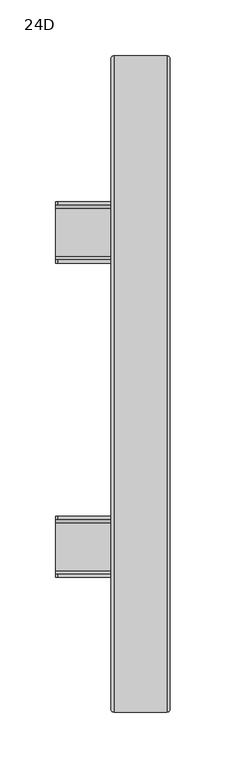
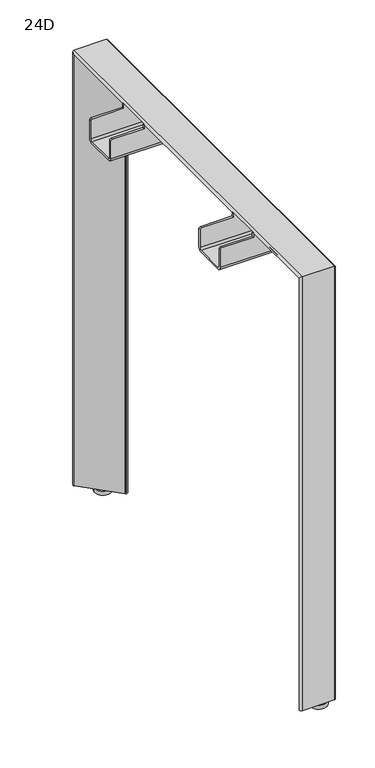
"""IFC4 building model written with IfcOpenShell, lengths in millimetres: furniture geometry, 24D."""

import ifcopenshell
import ifcopenshell.guid

model = None  # the IFC model being written
_history = None  # IfcOwnerHistory: only IFC2X3 demands one
_inside = {}  # id of a spatial element -> (the spatial element, [elements in it])
_under = {}  # id of a project, library or spatial element -> (it, [spatial elements below it])
_declared = {}  # id of a project -> (the project, [libraries it declares])
_typed = {}  # id of a type object -> (the type object, [elements of that type])
_made_of = {}  # id of a material, layer set ... -> (it, [elements and type objects made of it])


def new_model(schema):
    """Start an empty IFC model of exactly this schema.

    Asked for "IFC4X3", IfcOpenShell would pick the latest addendum, in which some entities
    have other attributes; the version numbers below select the first issue.
    IFC2X3 requires an IfcOwnerHistory on every rooted entity: one is made here for all.
    """
    global model, _history
    if schema == "IFC4X3":
        model = ifcopenshell.file(schema_version=(4, 3, 0, 0))
    else:
        model = ifcopenshell.file(schema=schema)
    _inside.clear()
    _under.clear()
    _declared.clear()
    _typed.clear()
    _made_of.clear()
    _history = None
    if model.schema == "IFC2X3":
        org = make("IfcOrganization", Name="unknown")
        user = make(
            "IfcPersonAndOrganization",
            ThePerson=make("IfcPerson", FamilyName="unknown"),
            TheOrganization=org,
        )
        app = make(
            "IfcApplication",
            ApplicationDeveloper=org,
            Version="unknown",
            ApplicationFullName="unknown",
            ApplicationIdentifier="unknown",
        )
        _history = make(
            "IfcOwnerHistory",
            OwningUser=user,
            OwningApplication=app,
            ChangeAction="ADDED",
            CreationDate=0,
        )
    return model


def make(cls, **values):
    """One entity of the class cls with the attributes given. An attribute that is None is left unset."""
    return model.create_entity(
        cls, **{name: value for name, value in values.items() if value is not None}
    )


def rooted(cls, **values):
    """An entity with a GlobalId (a new one), such as an element, a storey or a relation."""
    return make(cls, GlobalId=ifcopenshell.guid.new(), OwnerHistory=_history, **values)


def si_unit(unit_type, name, prefix=None):
    """IfcSIUnit, for example si_unit("LENGTHUNIT", "METRE", prefix="MILLI")."""
    return make("IfcSIUnit", UnitType=unit_type, Prefix=prefix, Name=name)


def assignment(units):
    """IfcUnitAssignment: the units of a project."""
    return None if units is None else make("IfcUnitAssignment", Units=units)


def point(xyz):
    """IfcCartesianPoint."""
    return None if xyz is None else make("IfcCartesianPoint", Coordinates=xyz)


def direction(xyz):
    """IfcDirection."""
    return None if xyz is None else make("IfcDirection", DirectionRatios=xyz)


def frame(location, z_axis=None, x_axis=None):
    """IfcAxis2Placement3D, a coordinate frame: its origin and axes. An axis left out is left unset."""
    return make(
        "IfcAxis2Placement3D",
        Location=point(location),
        Axis=direction(z_axis),
        RefDirection=direction(x_axis),
    )


def frame_2d(location, x_axis=None):
    """IfcAxis2Placement2D, a coordinate frame in the plane: its origin and x axis."""
    return make(
        "IfcAxis2Placement2D", Location=point(location), RefDirection=direction(x_axis)
    )


def origin():
    """The frame at (0, 0, 0) with its axes left unset."""
    return frame((0.0, 0.0, 0.0))


def origin_with_axes():
    """The frame at (0, 0, 0) with the z axis (0, 0, 1) and the x axis (1, 0, 0) written out."""
    return frame((0.0, 0.0, 0.0), z_axis=(0.0, 0.0, 1.0), x_axis=(1.0, 0.0, 0.0))


def place(relative_to, where):
    """IfcLocalPlacement: puts the frame where relative to a parent placement (None: the world)."""
    return make(
        "IfcLocalPlacement", PlacementRelTo=relative_to, RelativePlacement=where
    )


def context(
    kind, dimensions, precision=None, world=None, true_north=None, identifier=None
):
    """IfcGeometricRepresentationContext, for example the 3D "Model" context."""
    return make(
        "IfcGeometricRepresentationContext",
        ContextIdentifier=identifier,
        ContextType=kind,
        CoordinateSpaceDimension=dimensions,
        Precision=precision,
        WorldCoordinateSystem=world,
        TrueNorth=true_north,
    )


def project(units=None, contexts=None):
    """IfcProject with its units and contexts."""
    return rooted(
        "IfcProject",
        Name="project",
        RepresentationContexts=contexts,
        UnitsInContext=assignment(units),
    )


def spatial(cls, under=None, at=None, **own):
    """A site, building, storey or space (cls), placed at a placement, below another one or the project."""
    s = rooted(cls, ObjectPlacement=at, **own)
    if under is not None:
        _under.setdefault(under.id(), (under, []))[1].append(s)
    return s


def polyline(points):
    """IfcPolyline through the points."""
    return make("IfcPolyline", Points=[point(p) for p in points])


def circle_curve(where, radius):
    """IfcCircle in the frame where."""
    return make("IfcCircle", Position=where, Radius=radius)


def ellipse_curve(where, semi_axis1, semi_axis2):
    """IfcEllipse in the frame where."""
    return make(
        "IfcEllipse", Position=where, SemiAxis1=semi_axis1, SemiAxis2=semi_axis2
    )


def trimmed(basis, trim1, trim2, sense, master):
    """IfcTrimmedCurve: the piece of a basis curve between two trims."""
    return make(
        "IfcTrimmedCurve",
        BasisCurve=basis,
        Trim1=trim1,
        Trim2=trim2,
        SenseAgreement=sense,
        MasterRepresentation=master,
    )


def segment(curve, same_sense, transition):
    """IfcCompositeCurveSegment."""
    return make(
        "IfcCompositeCurveSegment",
        Transition=transition,
        SameSense=same_sense,
        ParentCurve=curve,
    )


def composite_curve(segments, self_intersect=None):
    """IfcCompositeCurve: segments joined end to end."""
    return make("IfcCompositeCurve", Segments=segments, SelfIntersect=self_intersect)


def outline(outer, holes=None, kind="AREA"):
    """IfcArbitraryClosedProfileDef: a profile drawn as a closed curve; with holes, ...WithVoids."""
    if holes is None:
        return make("IfcArbitraryClosedProfileDef", ProfileType=kind, OuterCurve=outer)
    return make(
        "IfcArbitraryProfileDefWithVoids",
        ProfileType=kind,
        OuterCurve=outer,
        InnerCurves=holes,
    )


def extrude(swept, where, along, depth):
    """IfcExtrudedAreaSolid: the profile swept, set in the frame where, extruded along a direction by depth."""
    return make(
        "IfcExtrudedAreaSolid",
        SweptArea=swept,
        Position=where,
        ExtrudedDirection=direction(along),
        Depth=depth,
    )


def shape(context_of_items, identifier, shape_type, items):
    """IfcShapeRepresentation: the items that make up one representation, for example the "Body"."""
    return make(
        "IfcShapeRepresentation",
        ContextOfItems=context_of_items,
        RepresentationIdentifier=identifier,
        RepresentationType=shape_type,
        Items=items,
    )


def source(mapping_origin, context_of_items, identifier, shape_type, items):
    """IfcRepresentationMap: a shape defined once, which mapped items show again and again."""
    return make(
        "IfcRepresentationMap",
        MappingOrigin=mapping_origin,
        MappedRepresentation=shape(context_of_items, identifier, shape_type, items),
    )


def transform(
    local_origin,
    x_axis=None,
    y_axis=None,
    z_axis=None,
    scale=None,
    scale2=None,
    scale3=None,
    uniform=True,
):
    """IfcCartesianTransformationOperator3D, or its non-uniform kind. x_axis, y_axis, z_axis: its Axis1, 2, 3."""
    if uniform:
        return make(
            "IfcCartesianTransformationOperator3D",
            Axis1=direction(x_axis),
            Axis2=direction(y_axis),
            LocalOrigin=point(local_origin),
            Scale=scale,
            Axis3=direction(z_axis),
        )
    return make(
        "IfcCartesianTransformationOperator3DnonUniform",
        Axis1=direction(x_axis),
        Axis2=direction(y_axis),
        LocalOrigin=point(local_origin),
        Scale=scale,
        Axis3=direction(z_axis),
        Scale2=scale2,
        Scale3=scale3,
    )


def mapped(mapping_source, mapping_target):
    """IfcMappedItem: shows the shape of a source again, moved by a transform."""
    return make(
        "IfcMappedItem", MappingSource=mapping_source, MappingTarget=mapping_target
    )


def made_of(thing, what):
    """Note that an element or type object is made of a material, layer set ...; save() writes the relation."""
    if what is not None:
        _made_of.setdefault(what.id(), (what, []))[1].append(thing)
    return thing


def element(
    cls,
    number,
    at=None,
    inside=None,
    cuts=None,
    type_object=None,
    material=None,
    context=None,
    identifier="Body",
    shape_type=None,
    held_by="IfcProductDefinitionShape",
    body=None,
    shapes=None,
    **own,
):
    """One element of the class cls, such as IfcWall. Its Tag is "e" and its number.

    at: its placement. inside: the storey or other place that contains it. cuts: it is an
    opening in that element (IfcRelVoidsElement). A single representation is given by context,
    identifier, shape_type and body (its items); several are given by shapes. held_by: the class
    of the entity that holds the representations. save() writes the other relations.
    """
    e = rooted(cls, Tag="e%d" % number, ObjectPlacement=at, **own)
    if body is not None:
        shapes = [shape(context, identifier, shape_type, body)]
    if shapes is not None:
        e.Representation = make(held_by, Representations=shapes)
    if inside is not None:
        _inside.setdefault(inside.id(), (inside, []))[1].append(e)
    if cuts is not None:
        rooted(
            "IfcRelVoidsElement", RelatingBuildingElement=cuts, RelatedOpeningElement=e
        )
    if type_object is not None:
        _typed.setdefault(type_object.id(), (type_object, []))[1].append(e)
    return made_of(e, material)


def aggregate(whole, parts):
    """IfcRelAggregates: a whole, such as a stair, and the parts it consists of."""
    return rooted("IfcRelAggregates", RelatingObject=whole, RelatedObjects=parts)


def save(model, path):
    """Write the relations noted so far, then the file.

    IfcRelAggregates (storeys below a building ...), IfcRelContainedInSpatialStructure (elements
    in a storey), IfcRelDefinesByType, IfcRelAssociatesMaterial and IfcRelDeclares: one each for
    every whole, place, type object, material and project.
    """
    for whole, parts in _under.values():
        aggregate(whole, parts)
    for where, things in _inside.values():
        rooted(
            "IfcRelContainedInSpatialStructure",
            RelatedElements=things,
            RelatingStructure=where,
        )
    for kind, things in _typed.values():
        rooted("IfcRelDefinesByType", RelatedObjects=things, RelatingType=kind)
    for what, things in _made_of.values():
        rooted("IfcRelAssociatesMaterial", RelatedObjects=things, RelatingMaterial=what)
    for by, libraries in _declared.values():
        rooted("IfcRelDeclares", RelatingContext=by, RelatedDefinitions=libraries)
    model.write(path)


def plane_surface(at):
    """IfcPlane: the flat surface through the origin of the frame at, square to its z axis."""
    return make("IfcPlane", Position=at)


def cylinder_surface(at, radius):
    """IfcCylindricalSurface: all points at the distance radius from the z axis of the frame at."""
    return make("IfcCylindricalSurface", Position=at, Radius=radius)


def revolved_surface(curve, axis_point, axis_direction):
    """IfcSurfaceOfRevolution: the curve turned about the line through axis_point along axis_direction."""
    return make(
        "IfcSurfaceOfRevolution",
        SweptCurve=make("IfcArbitraryOpenProfileDef", ProfileType="CURVE", Curve=curve),
        AxisPosition=make("IfcAxis1Placement", Location=point(axis_point), Axis=direction(axis_direction)),
    )


def advanced_brep(points, edges, surfaces, faces):
    """IfcAdvancedBrep: a solid bounded by faces that lie on surfaces and meet in shared edges.

    An edge is (start, end): straight between two places in points (the first is 0);
    or (start, end, curve); or (start, end, curve, False) where it runs against its curve.
    A face is (place in surfaces, loops), or (place, loops, False) where it looks against
    its surface's normal. A loop lists edges by number (the first is 1), with a minus sign
    where the edge is run from its end to its start. The first loop is the outer one.
    """
    corners = [point(p) for p in points]
    vertices = [make("IfcVertexPoint", VertexGeometry=c) for c in corners]
    made = []
    for start, end, *more in edges:
        made.append(
            make(
                "IfcEdgeCurve",
                EdgeStart=vertices[start],
                EdgeEnd=vertices[end],
                EdgeGeometry=more[0] if more else make("IfcPolyline", Points=[corners[start], corners[end]]),
                SameSense=more[1] if len(more) > 1 else True,
            )
        )
    hull = []
    for where, loops, *sense in faces:
        bounds = []
        for j, loop in enumerate(loops):
            ring = [make("IfcOrientedEdge", EdgeElement=made[abs(k) - 1], Orientation=k > 0) for k in loop]
            bounds.append(
                make(
                    "IfcFaceOuterBound" if j == 0 else "IfcFaceBound",
                    Bound=make("IfcEdgeLoop", EdgeList=ring),
                    Orientation=True,
                )
            )
        hull.append(make("IfcAdvancedFace", Bounds=bounds, FaceSurface=surfaces[where], SameSense=sense[0] if sense else True))
    return make("IfcAdvancedBrep", Outer=make("IfcClosedShell", CfsFaces=hull))


def furniture_24d_54f74e9e(model_context):
    return source(origin(), model_context, "Body", "SolidModel", [
        advanced_brep(
        [(26.5, -227.4166148, 11.0), (26.5, -275.0646568, 11.0), (23.8210938, -277.743563, 11.0), (-23.8269482, -277.743563, 11.0), (-25.721221, -273.170384, 11.0), (21.926821, -225.522342, 11.0), (24.515625, -227.4166148, 11.0), (23.329986, -226.9255071, 11.0), (-24.318056, -274.573549, 11.0), (-23.8269482, -275.759188, 11.0), (23.8210938, -275.759188, 11.0), (24.515625, -275.0646568, 11.0), (21.926821, -225.522342, 639.928779), (26.5, -227.4166148, 641.8230518), (-25.721221, -273.170384, 687.576821), (-23.8269482, -277.743563, 692.15), (23.8210937, -277.743563, 692.15), (26.5, -275.0646568, 689.4710937), (26.5, 259.3298888, 641.8230518), (26.5, 259.3298888, 11.0), (26.5, 306.9779307, 11.0), (26.5, 306.9779307, 689.4710937), (24.515625, -275.0646568, 689.4710937), (24.515625, 306.9779307, 689.4710937), (24.515625, 306.9779307, 11.0), (24.515625, 259.3298888, 11.0), (24.515625, 259.3298888, 641.8230518), (24.515625, -227.4166148, 641.8230518), (23.8210937, -275.759188, 690.165625), (-23.8269482, -275.759188, 690.165625), (-24.318056, -274.573549, 688.979986), (23.329986, -226.9255071, 641.331944), (21.926821, 257.435616, 639.928779), (-25.721221, -157.564763, 687.576821), (14.8566, -157.564763, 646.999), (17.8566, -154.564763, 643.999), (17.8566, -105.064763, 643.999), (14.8566, -102.064763, 646.999), (-25.721221, -102.064763, 687.576821), (-25.721221, 123.927037, 687.576821), (14.8566, 123.927037, 646.999), (17.8566, 126.927037, 643.999), (17.8566, 176.427037, 643.999), (14.8566, 179.427037, 646.999), (-25.721221, 179.427037, 687.576821), (-25.721221, 305.083658, 687.576821), (-23.8269482, 309.656837, 692.15), (-26.4616028, 179.427037, 689.956), (-26.4616028, 123.927037, 689.956), (-26.4616028, -102.064763, 689.956), (-26.4616028, -157.564763, 689.956), (23.8210937, 309.656837, 692.15), (23.8210937, 307.672462, 690.165625), (-23.8269482, 307.672462, 690.165625), (-24.318056, -157.564763, 688.979986), (-24.3241801, -157.564763, 689.956), (-24.3241801, -102.064763, 689.956), (-24.318056, -102.064763, 688.979986), (-24.318056, 123.927037, 688.979986), (-24.3241801, 123.927037, 689.956), (-24.3241801, 179.427037, 689.956), (-24.318056, 179.427037, 688.979986), (-24.318056, 306.486823, 688.979986), (23.329986, 258.838781, 641.331944), (17.66293, 179.427037, 646.999), (20.66293, 176.427037, 643.999), (20.66293, 126.927037, 643.999), (17.66293, 123.927037, 646.999), (17.66293, -102.064763, 646.999), (20.0, -103.1837782, 644.66193), (20.0, -156.4457479, 644.66193), (17.66293, -157.564763, 646.999), (21.926821, 257.435616, 11.0), (-25.721221, 305.083658, 11.0), (-23.8269482, 309.656837, 11.0), (23.8210938, 309.656837, 11.0), (23.8210938, 307.672462, 11.0), (-23.8269482, 307.672462, 11.0), (-24.318056, 306.486823, 11.0), (23.329986, 258.838781, 11.0), (20.0, -105.064763, 643.999), (20.0, -154.564763, 643.999)],
        [
            (0, 1),
            (1, 2, circle_curve(frame((23.8210938, -275.0646568, 11.0), z_axis=(0.0, 0.0, -1.0), x_axis=(0.0, 1.0, 0.0)), 2.6789063)),
            (2, 3),
            (3, 4, circle_curve(frame((-23.8269482, -275.0646568, 11.0), z_axis=(0.0, 0.0, -1.0), x_axis=(0.0, 1.0, 0.0)), 2.6789063)),
            (4, 5),
            (5, 0, circle_curve(frame((23.8210938, -227.4166148, 11.0), z_axis=(0.0, 0.0, -1.0), x_axis=(0.0, 1.0, 0.0)), 2.6789063)),
            (6, 7, circle_curve(frame((23.8210938, -227.4166148, 11.0), z_axis=(0.0, 0.0, 1.0), x_axis=(0.0, 1.0, 0.0)), 0.6945312)),
            (7, 8),
            (8, 9, circle_curve(frame((-23.8269482, -275.0646568, 11.0), z_axis=(0.0, 0.0, 1.0), x_axis=(0.0, 1.0, 0.0)), 0.6945312)),
            (9, 10),
            (10, 11, circle_curve(frame((23.8210938, -275.0646568, 11.0), z_axis=(0.0, 0.0, 1.0), x_axis=(0.0, 1.0, 0.0)), 0.6945313)),
            (11, 6),
            (5, 12),
            (12, 13, ellipse_curve(frame((23.8210937, -227.4166148, 641.8230518), z_axis=(0.0, -0.7071067811865475, -0.7071067811865475), x_axis=(0.0, 0.7071067811865474, -0.7071067811865476)), 3.7885456, 2.6789063)),
            (13, 0),
            (4, 14),
            (14, 12),
            (3, 15),
            (15, 14, ellipse_curve(frame((-23.8269482, -275.0646568, 689.4710937), z_axis=(0.0, -0.7071067811865475, -0.7071067811865475), x_axis=(0.0, 0.7071067811865474, -0.7071067811865476)), 3.7885456, 2.6789063)),
            (2, 16),
            (16, 15),
            (1, 17),
            (17, 16, ellipse_curve(frame((23.8210937, -275.0646568, 689.4710937), z_axis=(0.0, -0.7071067811865475, -0.7071067811865475), x_axis=(0.0, 0.7071067811865474, -0.7071067811865476)), 3.7885456, 2.6789063)),
            (13, 18),
            (18, 19),
            (19, 20),
            (20, 21),
            (21, 17),
            (11, 22),
            (22, 23),
            (23, 24),
            (24, 25),
            (25, 26),
            (26, 27),
            (27, 6),
            (10, 28),
            (28, 22, ellipse_curve(frame((23.8210937, -275.0646568, 689.4710937), z_axis=(0.0, 0.7071067811865475, 0.7071067811865475), x_axis=(0.0, -0.7071067811865474, 0.7071067811865476)), 0.9822155, 0.6945312)),
            (9, 29),
            (29, 28),
            (8, 30),
            (30, 29, ellipse_curve(frame((-23.8269482, -275.0646568, 689.4710937), z_axis=(0.0, 0.7071067811865475, 0.7071067811865475), x_axis=(0.0, -0.7071067811865474, 0.7071067811865476)), 0.9822155, 0.6945312)),
            (7, 31),
            (31, 30),
            (27, 31, ellipse_curve(frame((23.8210937, -227.4166148, 641.8230518), z_axis=(0.0, 0.7071067811865475, 0.7071067811865475), x_axis=(0.0, -0.7071067811865474, 0.7071067811865476)), 0.9822155, 0.6945312)),
            (12, 32),
            (32, 18, ellipse_curve(frame((23.8210937, 259.3298888, 641.8230518), z_axis=(0.0, -0.7071067811865475, 0.7071067811865475), x_axis=(0.0, -0.7071067811865476, -0.7071067811865474)), 3.7885456, 2.6789063)),
            (14, 33),
            (33, 34),
            (34, 35, ellipse_curve(frame((14.8566, -154.564763, 646.999), z_axis=(0.7071067811865408, 0.0, 0.7071067811865543), x_axis=(0.7071067811865542, 0.0, -0.7071067811865408)), 4.2426407, 3.0)),
            (35, 36),
            (36, 37, ellipse_curve(frame((14.8566, -105.064763, 646.999), z_axis=(0.7071067811865408, 0.0, 0.7071067811865543), x_axis=(0.7071067811865542, 0.0, -0.7071067811865408)), 4.2426407, 3.0)),
            (37, 38),
            (38, 39),
            (39, 40),
            (40, 41, ellipse_curve(frame((14.8566, 126.927037, 646.999), z_axis=(0.7071067811865408, 0.0, 0.7071067811865543), x_axis=(0.7071067811865542, 0.0, -0.7071067811865408)), 4.2426407, 3.0)),
            (41, 42),
            (42, 43, ellipse_curve(frame((14.8566, 176.427037, 646.999), z_axis=(0.7071067811865408, 0.0, 0.7071067811865543), x_axis=(0.7071067811865542, 0.0, -0.7071067811865408)), 4.2426407, 3.0)),
            (43, 44),
            (44, 45),
            (45, 32),
            (15, 46),
            (46, 45, ellipse_curve(frame((-23.8269482, 306.9779307, 689.4710937), z_axis=(0.0, -0.7071067811865475, 0.7071067811865475), x_axis=(0.0, -0.7071067811865476, -0.7071067811865474)), 3.7885456, 2.6789063)),
            (44, 47, circle_curve(frame((-23.8269482, 179.427037, 689.4710937), z_axis=(0.0, 1.0, 0.0), x_axis=(0.0, 0.0, -1.0)), 2.6789063)),
            (47, 48),
            (48, 39, circle_curve(frame((-23.8269482, 123.927037, 689.4710937), z_axis=(0.0, -1.0, 0.0), x_axis=(0.0, 0.0, -1.0)), 2.6789063)),
            (38, 49, circle_curve(frame((-23.8269482, -102.064763, 689.4710937), z_axis=(0.0, 1.0, 0.0), x_axis=(0.0, 0.0, -1.0)), 2.6789063)),
            (49, 50),
            (50, 33, circle_curve(frame((-23.8269482, -157.564763, 689.4710937), z_axis=(0.0, -1.0, 0.0), x_axis=(0.0, 0.0, -1.0)), 2.6789063)),
            (16, 51),
            (51, 46),
            (21, 51, ellipse_curve(frame((23.8210937, 306.9779307, 689.4710937), z_axis=(0.0, -0.7071067811865475, 0.7071067811865475), x_axis=(0.0, -0.7071067811865476, -0.7071067811865474)), 3.7885456, 2.6789063)),
            (28, 52),
            (52, 23, ellipse_curve(frame((23.8210937, 306.9779307, 689.4710937), z_axis=(0.0, 0.7071067811865475, -0.7071067811865475), x_axis=(0.0, 0.7071067811865476, 0.7071067811865474)), 0.9822155, 0.6945312)),
            (29, 53),
            (53, 52),
            (30, 54),
            (54, 55, circle_curve(frame((-23.8269482, -157.564763, 689.4710937), z_axis=(0.0, 1.0, 0.0), x_axis=(0.0, 0.0, -1.0)), 0.6945312)),
            (55, 56),
            (56, 57, circle_curve(frame((-23.8269482, -102.064763, 689.4710937), z_axis=(0.0, -1.0, 0.0), x_axis=(0.0, 0.0, -1.0)), 0.6945312)),
            (57, 58),
            (58, 59, circle_curve(frame((-23.8269482, 123.927037, 689.4710937), z_axis=(0.0, 1.0, 0.0), x_axis=(0.0, 0.0, -1.0)), 0.6945312)),
            (59, 60),
            (60, 61, circle_curve(frame((-23.8269482, 179.427037, 689.4710937), z_axis=(0.0, -1.0, 0.0), x_axis=(0.0, 0.0, -1.0)), 0.6945313)),
            (61, 62),
            (62, 53, ellipse_curve(frame((-23.8269482, 306.9779307, 689.4710937), z_axis=(0.0, 0.7071067811865475, -0.7071067811865475), x_axis=(0.0, 0.7071067811865476, 0.7071067811865474)), 0.9822155, 0.6945312)),
            (31, 63),
            (63, 62),
            (61, 64),
            (64, 65, ellipse_curve(frame((17.66293, 176.427037, 646.999), z_axis=(-0.7071067811865407, 0.0, -0.7071067811865543), x_axis=(0.7071067811865542, 0.0, -0.7071067811865407)), 4.2426407, 3.0)),
            (65, 66),
            (66, 67, ellipse_curve(frame((17.66293, 126.927037, 646.999), z_axis=(-0.7071067811865407, 0.0, -0.7071067811865543), x_axis=(0.7071067811865542, 0.0, -0.7071067811865407)), 4.2426407, 3.0)),
            (67, 58),
            (57, 68),
            (68, 69, ellipse_curve(frame((17.66293, -105.064763, 646.999), z_axis=(-0.7071067811865407, 0.0, -0.7071067811865543), x_axis=(0.7071067811865542, 0.0, -0.7071067811865407)), 4.2426407, 3.0)),
            (69, 70),
            (70, 71, ellipse_curve(frame((17.66293, -154.564763, 646.999), z_axis=(-0.7071067811865407, 0.0, -0.7071067811865543), x_axis=(0.7071067811865542, 0.0, -0.7071067811865407)), 4.2426407, 3.0)),
            (71, 54),
            (26, 63, ellipse_curve(frame((23.8210937, 259.3298888, 641.8230518), z_axis=(0.0, 0.7071067811865475, -0.7071067811865475), x_axis=(0.0, 0.7071067811865476, 0.7071067811865474)), 0.9822155, 0.6945312)),
            (19, 72, circle_curve(frame((23.8210938, 259.3298888, 11.0), z_axis=(0.0, 0.0, -1.0), x_axis=(0.0, -1.0, 0.0)), 2.6789063)),
            (72, 73),
            (73, 74, circle_curve(frame((-23.8269482, 306.9779307, 11.0), z_axis=(0.0, 0.0, -1.0), x_axis=(0.0, -1.0, 0.0)), 2.6789062)),
            (74, 75),
            (75, 20, circle_curve(frame((23.8210938, 306.9779307, 11.0), z_axis=(0.0, 0.0, -1.0), x_axis=(0.0, -1.0, 0.0)), 2.6789063)),
            (24, 76, circle_curve(frame((23.8210938, 306.9779307, 11.0), z_axis=(0.0, 0.0, 1.0), x_axis=(0.0, -1.0, 0.0)), 0.6945313)),
            (76, 77),
            (77, 78, circle_curve(frame((-23.8269482, 306.9779307, 11.0), z_axis=(0.0, 0.0, 1.0), x_axis=(0.0, -1.0, 0.0)), 0.6945312)),
            (78, 79),
            (79, 25, circle_curve(frame((23.8210938, 259.3298888, 11.0), z_axis=(0.0, 0.0, 1.0), x_axis=(0.0, -1.0, 0.0)), 0.6945312)),
            (32, 72),
            (45, 73),
            (46, 74),
            (51, 75),
            (52, 76),
            (53, 77),
            (62, 78),
            (63, 79),
            (43, 64),
            (60, 47),
            (59, 48),
            (67, 40),
            (66, 41),
            (65, 42),
            (80, 81),
            (81, 70, circle_curve(frame((20.0, -154.564763, 646.999), z_axis=(-1.0, 0.0, 0.0), x_axis=(0.0, 1.0, 0.0)), 3.0)),
            (69, 80, circle_curve(frame((20.0, -105.064763, 646.999), z_axis=(-1.0, 0.0, 0.0), x_axis=(0.0, 1.0, 0.0)), 3.0)),
            (37, 68),
            (56, 49),
            (55, 50),
            (71, 34),
            (81, 35),
            (80, 36),
        ],
        [
            plane_surface(frame((49.5, -277.743563, 11.0), z_axis=(0.0, 0.0, -1.0), x_axis=(-1.0, 0.0, 0.0))),
            cylinder_surface(frame((23.8210938, -227.4166148, 11.0), z_axis=(0.0, 0.0, -1.0), x_axis=(0.0, 1.0, 0.0)), 2.6789063),
            plane_surface(frame((-25.721221, -273.170384, 11.0), z_axis=(-0.7071067811865526, 0.7071067811865426, 0.0), x_axis=(0.0, 0.0, 1.0))),
            cylinder_surface(frame((-23.8269482, -275.0646568, 11.0), z_axis=(0.0, 0.0, -1.0), x_axis=(0.0, 1.0, 0.0)), 2.6789063),
            plane_surface(frame((23.8210938, -277.743563, 11.0), z_axis=(0.0, -1.0, 0.0), x_axis=(0.0, 0.0, 1.0))),
            cylinder_surface(frame((23.8210938, -275.0646568, 11.0), z_axis=(0.0, 0.0, -1.0), x_axis=(0.0, 1.0, 0.0)), 2.6789063),
            plane_surface(frame((26.5, -227.4166148, 11.0), z_axis=(1.0, 0.0, 0.0), x_axis=(0.0, 0.0, 1.0))),
            plane_surface(frame((24.515625, -275.0646568, 11.0), z_axis=(-1.0, 0.0, 0.0), x_axis=(0.0, 0.0, 1.0))),
            revolved_surface(polyline([(23.8210938, -274.37012560000005, 690.165625), (23.8210938, -274.37012560000005, 11.0)]), (23.8210938, -275.0646568, 11.0), (0.0, 0.0, 1.0)),
            plane_surface(frame((-23.8269482, -275.759188, 11.0), z_axis=(0.0, 1.0, 0.0), x_axis=(0.0, 0.0, 1.0))),
            revolved_surface(polyline([(-23.8269482, -274.37012560000005, 690.165625), (-23.8269482, -274.37012560000005, 11.0)]), (-23.8269482, -275.0646568, 11.0), (0.0, 0.0, 1.0)),
            plane_surface(frame((23.329986, -226.9255071, 11.0), z_axis=(0.7071067811865525, -0.7071067811865426, 0.0), x_axis=(0.0, 0.0, 1.0))),
            revolved_surface(polyline([(23.8210938, -226.7220836, 642.5175830406365), (23.8210938, -226.7220836, 11.0)]), (23.8210938, -227.4166148, 11.0), (0.0, 0.0, 1.0)),
            cylinder_surface(frame((23.8210938, -277.743563, 641.8230518), z_axis=(0.0, -1.0, 0.0), x_axis=(0.0, 0.0, -1.0)), 2.6789063),
            plane_surface(frame((-25.721221, -273.170384, 687.576821), z_axis=(-0.7071067811865408, 0.0, -0.7071067811865543), x_axis=(0.0, 1.0, 0.0))),
            cylinder_surface(frame((-23.8269482, -277.743563, 689.4710937), z_axis=(0.0, -1.0, 0.0), x_axis=(0.0, 0.0, -1.0)), 2.6789063),
            plane_surface(frame((23.8210937, -277.743563, 692.15), z_axis=(0.0, 0.0, 1.0), x_axis=(0.0, 1.0, 0.0))),
            cylinder_surface(frame((23.8210937, -277.743563, 689.4710937), z_axis=(0.0, -1.0, 0.0), x_axis=(0.0, 0.0, -1.0)), 2.6789063),
            revolved_surface(polyline([(23.8210937, 307.672462, 688.7765625), (23.8210937, -275.75918804063656, 688.7765625)]), (23.8210937, -277.743563, 689.4710937), (0.0, 1.0, 0.0)),
            plane_surface(frame((-23.8269482, -275.759188, 690.165625), z_axis=(0.0, 0.0, -1.0), x_axis=(0.0, 1.0, 0.0))),
            revolved_surface(polyline([(-23.8269482, 307.672462, 688.7765625), (-23.8269482, -275.75918804063656, 688.7765625)]), (-23.8269482, -277.743563, 689.4710937), (0.0, 1.0, 0.0)),
            plane_surface(frame((23.329986, -226.9255071, 641.331944), z_axis=(0.7071067811865407, 0.0, 0.7071067811865543), x_axis=(0.0, 1.0, 0.0))),
            revolved_surface(polyline([(23.8210938, 260.0244200406364, 641.1285206), (23.8210938, -228.11114604063653, 641.1285206)]), (23.8210938, -277.743563, 641.8230518), (0.0, 1.0, 0.0)),
            plane_surface(frame((49.5, 309.656837, 11.0), z_axis=(0.0, 0.0, -1.0), x_axis=(-1.0, 0.0, 0.0))),
            cylinder_surface(frame((23.8210937, 259.3298888, 692.15), z_axis=(0.0, 0.0, 1.0), x_axis=(0.0, -1.0, 0.0)), 2.6789063),
            plane_surface(frame((-25.721221, 305.083658, 687.576821), z_axis=(-0.7071067811865436, -0.7071067811865516, 0.0), x_axis=(0.0, 0.0, -1.0))),
            cylinder_surface(frame((-23.8269482, 306.9779307, 692.15), z_axis=(0.0, 0.0, 1.0), x_axis=(0.0, -1.0, 0.0)), 2.6789063),
            plane_surface(frame((23.8210937, 309.656837, 692.15), z_axis=(0.0, 1.0, 0.0), x_axis=(0.0, 0.0, -1.0))),
            cylinder_surface(frame((23.8210937, 306.9779307, 692.15), z_axis=(0.0, 0.0, 1.0), x_axis=(0.0, -1.0, 0.0)), 2.6789063),
            revolved_surface(polyline([(23.8210937, 306.28339950000003, 11.0), (23.8210937, 306.28339950000003, 690.165625)]), (23.8210937, 306.9779307, 692.15), (0.0, 0.0, -1.0)),
            plane_surface(frame((-23.8269482, 307.672462, 690.165625), z_axis=(0.0, -1.0, 0.0), x_axis=(0.0, 0.0, -1.0))),
            revolved_surface(polyline([(-23.8269482, 306.28339950000003, 11.0), (-23.8269482, 306.28339950000003, 690.165625)]), (-23.8269482, 306.9779307, 692.15), (0.0, 0.0, -1.0)),
            plane_surface(frame((23.329986, 258.838781, 641.331944), z_axis=(0.7071067811865435, 0.7071067811865516, 0.0), x_axis=(0.0, 0.0, -1.0))),
            revolved_surface(polyline([(23.8210937, 258.6353576, 11.0), (23.8210937, 258.6353576, 642.5175830406365)]), (23.8210937, 259.3298888, 692.15), (0.0, 0.0, -1.0)),
            plane_surface(frame((21.9189191, 179.427037, 646.999), z_axis=(0.0, -1.0, 0.0), x_axis=(-1.0, 0.0, 0.0))),
            plane_surface(frame((21.9189191, 179.427037, 689.956), z_axis=(0.0, 1.6730784925635626e-12, -1.0), x_axis=(-1.0, 0.0, 0.0))),
            plane_surface(frame((21.9189191, 123.927037, 689.956), z_axis=(0.0, 1.0, -2.195079713281522e-12), x_axis=(-1.0, 0.0, 0.0))),
            revolved_surface(polyline([(20.662930009108067, 129.92703699999998, 646.999), (11.856599990891937, 129.92703699999998, 646.999)]), (-76.0, 126.927037, 646.999), (1.0, 0.0, 0.0)),
            plane_surface(frame((21.9189191, 126.927037, 643.999), z_axis=(0.0, 0.0, 1.0), x_axis=(-1.0, 0.0, 0.0))),
            revolved_surface(polyline([(20.662930009108067, 179.427037, 646.999), (11.856599990891937, 179.427037, 646.999)]), (-76.0, 176.427037, 646.999), (1.0, 0.0, 0.0)),
            plane_surface(frame((20.0, -102.064763, 689.956), z_axis=(-1.0, 0.0, 0.0), x_axis=(0.0, 0.0, 1.0))),
            plane_surface(frame((20.0, -102.064763, 646.999), z_axis=(0.0, -1.0, 0.0), x_axis=(-1.0, 0.0, 0.0))),
            plane_surface(frame((20.0, -102.064763, 689.956), z_axis=(0.0, 1.0804282393674883e-12, -1.0), x_axis=(-1.0, 0.0, 0.0))),
            plane_surface(frame((20.0, -157.564763, 689.956), z_axis=(0.0, 1.0, -1.4297755893077203e-12), x_axis=(-1.0, 0.0, 0.0))),
            revolved_surface(polyline([(20.662930009108067, -151.564763, 646.999), (11.856599990891937, -151.564763, 646.999)]), (-76.0, -154.564763, 646.999), (1.0, 0.0, 0.0)),
            plane_surface(frame((20.0, -154.564763, 643.999), z_axis=(0.0, 0.0, 1.0), x_axis=(-1.0, 0.0, 0.0))),
            revolved_surface(polyline([(20.662930009108067, -102.064763, 646.999), (11.856599990891937, -102.064763, 646.999)]), (-76.0, -105.064763, 646.999), (1.0, 0.0, 0.0)),
        ],
        [
            (0, [[1, 2, 3, 4, 5, 6], [7, 8, 9, 10, 11, 12]]),
            (1, [[-6, 13, 14, 15]]),
            (2, [[-5, 16, 17, -13]]),
            (3, [[-4, 18, 19, -16]]),
            (4, [[-3, 20, 21, -18]]),
            (5, [[-2, 22, 23, -20]]),
            (6, [[-1, -15, 24, 25, 26, 27, 28, -22]]),
            (7, [[-12, 29, 30, 31, 32, 33, 34, 35]]),
            (8, [[-11, 36, 37, -29]]),
            (9, [[-10, 38, 39, -36]]),
            (10, [[-9, 40, 41, -38]]),
            (11, [[-8, 42, 43, -40]]),
            (12, [[-7, -35, 44, -42]]),
            (13, [[-14, 45, 46, -24]]),
            (14, [[-17, 47, 48, 49, 50, 51, 52, 53, 54, 55, 56, 57, 58, 59, 60, -45]]),
            (15, [[-19, 61, 62, -59, 63, 64, 65, -53, 66, 67, 68, -47]]),
            (16, [[-21, 69, 70, -61]]),
            (17, [[-23, -28, 71, -69]]),
            (18, [[-30, -37, 72, 73]]),
            (19, [[-39, 74, 75, -72]]),
            (20, [[-41, 76, 77, 78, 79, 80, 81, 82, 83, 84, 85, -74]]),
            (21, [[-43, 86, 87, -84, 88, 89, 90, 91, 92, -80, 93, 94, 95, 96, 97, -76]]),
            (22, [[-34, 98, -86, -44]]),
            (23, [[-26, 99, 100, 101, 102, 103], [-32, 104, 105, 106, 107, 108]]),
            (24, [[-25, -46, 109, -99]]),
            (25, [[-60, 110, -100, -109]]),
            (26, [[-62, 111, -101, -110]]),
            (27, [[-70, 112, -102, -111]]),
            (28, [[-27, -103, -112, -71]]),
            (29, [[-31, -73, 113, -104]]),
            (30, [[-75, 114, -105, -113]]),
            (31, [[-85, 115, -106, -114]]),
            (32, [[-87, 116, -107, -115]]),
            (33, [[-33, -108, -116, -98]]),
            (34, [[117, -88, -83, 118, -63, -58]]),
            (35, [[-118, -82, 119, -64]]),
            (36, [[-119, -81, -92, 120, -54, -65]]),
            (37, [[-120, -91, 121, -55]]),
            (38, [[-121, -90, 122, -56]]),
            (39, [[-117, -57, -122, -89]]),
            (40, [[123, 124, -95, 125]]),
            (41, [[126, -93, -79, 127, -66, -52]]),
            (42, [[-127, -78, 128, -67]]),
            (43, [[-128, -77, -97, 129, -48, -68]]),
            (44, [[-124, 130, -49, -129, -96]]),
            (45, [[-123, 131, -50, -130]]),
            (46, [[-125, -94, -126, -51, -131]]),
        ],
    ),
        extrude(outline(composite_curve([segment(trimmed(circle_curve(frame_2d((9.5134902, 293.1796331)), 8.2529367), [point((17.7664269, 293.1796331))], [point((1.2605535, 293.1796331))], False, "CARTESIAN"), True, "CONTINUOUS"), segment(trimmed(circle_curve(frame_2d((9.5134902, 293.1796331)), 8.2529367), [point((1.2605535, 293.1796331))], [point((17.7664269, 293.1796331))], False, "CARTESIAN"), True, "CONTINUOUS")], self_intersect=False)), frame((0.0, 0.0, 6.5), z_axis=(0.0, 0.0, 1.0), x_axis=(1.0, 0.0, 0.0)), (0.0, 0.0, 1.0), 4.5),
        extrude(outline(composite_curve([segment(trimmed(circle_curve(frame_2d((9.5157414, 293.1796331)), 12.5869389), [point((22.1026802, 293.1796331))], [point((-3.0711975, 293.1796331))], False, "CARTESIAN"), True, "CONTINUOUS"), segment(trimmed(circle_curve(frame_2d((9.5157414, 293.1796331)), 12.5869389), [point((-3.0711975, 293.1796331))], [point((22.1026802, 293.1796331))], False, "CARTESIAN"), True, "CONTINUOUS")], self_intersect=False)), origin_with_axes(), (0.0, 0.0, 1.0), 6.5),
        extrude(outline(composite_curve([segment(trimmed(circle_curve(frame_2d((9.5134902, -261.2663591)), 8.2529367), [point((17.7664269, -261.2663591))], [point((1.2605535, -261.2663591))], False, "CARTESIAN"), True, "CONTINUOUS"), segment(trimmed(circle_curve(frame_2d((9.5134902, -261.2663591)), 8.2529367), [point((1.2605535, -261.2663591))], [point((17.7664269, -261.2663591))], False, "CARTESIAN"), True, "CONTINUOUS")], self_intersect=False)), frame((0.0, 0.0, 6.5), z_axis=(0.0, 0.0, 1.0), x_axis=(1.0, 0.0, 0.0)), (0.0, 0.0, 1.0), 4.5),
        extrude(outline(composite_curve([segment(trimmed(circle_curve(frame_2d((9.5157414, -261.2663591)), 12.5869389), [point((22.1026802, -261.2663591))], [point((-3.0711975, -261.2663591))], False, "CARTESIAN"), True, "CONTINUOUS"), segment(trimmed(circle_curve(frame_2d((9.5157414, -261.2663591)), 12.5869389), [point((-3.0711975, -261.2663591))], [point((22.1026802, -261.2663591))], False, "CARTESIAN"), True, "CONTINUOUS")], self_intersect=False)), origin_with_axes(), (0.0, 0.0, 1.0), 6.5),
        advanced_brep(
        [(-74.3, 176.177037, 682.3638945), (-74.3, 179.177037, 682.3638945), (-76.0, 179.177037, 680.6638945), (-76.0, 176.177037, 680.6638945), (-74.3, 124.177037, 682.3638945), (-74.3, 127.177037, 682.3638945), (-76.0, 127.177037, 680.6638945), (-76.0, 124.177037, 680.6638945), (-26.5927813, 179.177037, 688.4138945), (-26.5927813, 176.177037, 688.4138945), (-24.8927813, 176.177037, 690.1138945), (-24.8927813, 179.177037, 690.1138945), (-26.5927813, 127.177037, 688.4138945), (-26.5927813, 124.177037, 688.4138945), (-24.8927813, 124.177037, 690.1138945), (-24.8927813, 127.177037, 690.1138945), (-26.5927813, 179.177037, 682.3638945), (-26.5927813, 176.177037, 682.3638945), (-26.5927813, 127.177037, 682.3638945), (-26.5927813, 124.177037, 682.3638945), (21.9189191, 127.177037, 690.1138945), (21.9189191, 124.177037, 690.1138945), (21.9189191, 124.177037, 652.1138945), (21.9189191, 130.177037, 646.1138945), (21.9189191, 173.177037, 646.1138945), (21.9189191, 179.177037, 652.1138945), (21.9189191, 179.177037, 690.1138945), (21.9189191, 176.177037, 690.1138945), (21.9189191, 176.177037, 652.1138945), (21.9189191, 173.177037, 649.1138945), (21.9189191, 130.177037, 649.1138945), (21.9189191, 127.177037, 652.1138945), (-76.0, 127.177037, 652.1138945), (-76.0, 130.177037, 649.1138945), (-76.0, 173.177037, 649.1138945), (-76.0, 176.177037, 652.1138945), (-76.0, 179.177037, 652.1138945), (-76.0, 173.177037, 646.1138945), (-76.0, 130.177037, 646.1138945), (-76.0, 124.177037, 652.1138945)],
        [
            (0, 1),
            (1, 2),
            (2, 3),
            (3, 0),
            (4, 5),
            (5, 6),
            (6, 7),
            (7, 4),
            (8, 9),
            (9, 10),
            (10, 11),
            (11, 8),
            (12, 13),
            (13, 14),
            (14, 15),
            (15, 12),
            (8, 16),
            (16, 17),
            (17, 9),
            (12, 18),
            (18, 19),
            (19, 13),
            (0, 17),
            (16, 1),
            (4, 19),
            (18, 5),
            (20, 21),
            (21, 22),
            (22, 23, circle_curve(frame((21.9189191, 130.177037, 652.1138945), z_axis=(1.0, 0.0, 0.0), x_axis=(0.0, 1.0, 0.0)), 6.0)),
            (23, 24),
            (24, 25, circle_curve(frame((21.9189191, 173.177037, 652.1138945), z_axis=(1.0, 0.0, 0.0), x_axis=(0.0, 1.0, 0.0)), 6.0)),
            (25, 26),
            (26, 27),
            (27, 28),
            (28, 29, circle_curve(frame((21.9189191, 173.177037, 652.1138945), z_axis=(-1.0, 0.0, 0.0), x_axis=(0.0, 1.0, 0.0)), 3.0)),
            (29, 30),
            (30, 31, circle_curve(frame((21.9189191, 130.177037, 652.1138945), z_axis=(-1.0, 0.0, 0.0), x_axis=(0.0, 1.0, 0.0)), 3.0)),
            (31, 20),
            (32, 33, circle_curve(frame((-76.0, 130.177037, 652.1138945), z_axis=(1.0, 0.0, 0.0), x_axis=(0.0, 1.0, 0.0)), 3.0)),
            (33, 34),
            (34, 35, circle_curve(frame((-76.0, 173.177037, 652.1138945), z_axis=(1.0, 0.0, 0.0), x_axis=(0.0, 1.0, 0.0)), 3.0)),
            (35, 3),
            (2, 36),
            (36, 37, circle_curve(frame((-76.0, 173.177037, 652.1138945), z_axis=(-1.0, 0.0, 0.0), x_axis=(0.0, 1.0, 0.0)), 6.0)),
            (37, 38),
            (38, 39, circle_curve(frame((-76.0, 130.177037, 652.1138945), z_axis=(-1.0, 0.0, 0.0), x_axis=(0.0, 1.0, 0.0)), 6.0)),
            (39, 7),
            (6, 32),
            (20, 15),
            (14, 21),
            (39, 22),
            (38, 23),
            (37, 24),
            (36, 25),
            (11, 26),
            (10, 27),
            (35, 28),
            (34, 29),
            (33, 30),
            (32, 31),
        ],
        [
            plane_surface(frame((-74.3, 179.177037, 682.3638945), z_axis=(-0.7071067811687632, 0.0, 0.7071067812043318), x_axis=(0.0, -1.0, 0.0))),
            plane_surface(frame((-24.8927813, 179.177037, 690.1138945), z_axis=(-0.7071067811865405, 0.0, 0.7071067811865546), x_axis=(0.0, -1.0, 0.0))),
            plane_surface(frame((-26.5927813, 179.177037, 688.4138945), z_axis=(-1.0, 0.0, 0.0), x_axis=(0.0, -1.0, 0.0))),
            plane_surface(frame((-26.5927813, 179.177037, 682.3638945), z_axis=(0.0, 0.0, 1.0), x_axis=(0.0, -1.0, 0.0))),
            plane_surface(frame((21.9189191, 124.177037, 690.1138945), z_axis=(1.0, 0.0, 0.0), x_axis=(0.0, -1.0, 0.0))),
            plane_surface(frame((-76.0, 124.177037, 690.1138945), z_axis=(-1.0, 0.0, 0.0), x_axis=(0.0, 1.0, 0.0))),
            plane_surface(frame((21.9189191, 127.177037, 690.1138945), z_axis=(0.0, 0.0, 1.0), x_axis=(-1.0, 0.0, 0.0))),
            plane_surface(frame((21.9189191, 124.177037, 690.1138945), z_axis=(0.0, -1.0, 0.0), x_axis=(-1.0, 0.0, 0.0))),
            cylinder_surface(frame((-76.0, 130.177037, 652.1138945), z_axis=(1.0, 0.0, 0.0), x_axis=(0.0, 1.0, 0.0)), 6.0),
            plane_surface(frame((21.9189191, 130.177037, 646.1138945), z_axis=(0.0, -2.2381352585138914e-12, -1.0), x_axis=(-1.0, 0.0, 0.0))),
            cylinder_surface(frame((-76.0, 173.177037, 652.1138945), z_axis=(1.0, 0.0, 0.0), x_axis=(0.0, 1.0, 0.0)), 6.0),
            plane_surface(frame((21.9189191, 179.177037, 652.1138945), z_axis=(0.0, 1.0, 0.0), x_axis=(-1.0, 0.0, 0.0))),
            plane_surface(frame((21.9189191, 179.177037, 690.1138945), z_axis=(0.0, 0.0, 1.0), x_axis=(-1.0, 0.0, 0.0))),
            plane_surface(frame((21.9189191, 176.177037, 690.1138945), z_axis=(0.0, -1.0, 0.0), x_axis=(-1.0, 0.0, 0.0))),
            revolved_surface(polyline([(-76.0, 176.177037, 652.1138945), (21.918919099999997, 176.177037, 652.1138945)]), (-76.0, 173.177037, 652.1138945), (-1.0, 0.0, 0.0)),
            plane_surface(frame((21.9189191, 173.177037, 649.1138945), z_axis=(0.0, 0.0, 1.0), x_axis=(-1.0, 0.0, 0.0))),
            revolved_surface(polyline([(-76.0, 133.177037, 652.1138945), (21.918919099999997, 133.177037, 652.1138945)]), (-76.0, 130.177037, 652.1138945), (-1.0, 0.0, 0.0)),
            plane_surface(frame((21.9189191, 127.177037, 652.1138945), z_axis=(0.0, 1.0, 0.0), x_axis=(-1.0, 0.0, 0.0))),
        ],
        [
            (0, [[1, 2, 3, 4]]),
            (0, [[5, 6, 7, 8]]),
            (1, [[9, 10, 11, 12]]),
            (1, [[13, 14, 15, 16]]),
            (2, [[-9, 17, 18, 19]]),
            (2, [[-13, 20, 21, 22]]),
            (3, [[-1, 23, -18, 24]]),
            (3, [[-5, 25, -21, 26]]),
            (4, [[27, 28, 29, 30, 31, 32, 33, 34, 35, 36, 37, 38]]),
            (5, [[39, 40, 41, 42, -3, 43, 44, 45, 46, 47, -7, 48]]),
            (6, [[-27, 49, -15, 50]]),
            (7, [[-28, -50, -14, -22, -25, -8, -47, 51]]),
            (8, [[-29, -51, -46, 52]]),
            (9, [[-30, -52, -45, 53]]),
            (10, [[-31, -53, -44, 54]]),
            (11, [[-32, -54, -43, -2, -24, -17, -12, 55]]),
            (12, [[-33, -55, -11, 56]]),
            (13, [[-34, -56, -10, -19, -23, -4, -42, 57]]),
            (14, [[-35, -57, -41, 58]]),
            (15, [[-36, -58, -40, 59]]),
            (16, [[-37, -59, -39, 60]]),
            (17, [[-38, -60, -48, -6, -26, -20, -16, -49]]),
        ],
    ),
        advanced_brep(
        [(-74.3, -105.314763, 682.3638945), (-74.3, -102.314763, 682.3638945), (-76.0, -102.314763, 680.6638945), (-76.0, -105.314763, 680.6638945), (-74.3, -157.314763, 682.3638945), (-74.3, -154.314763, 682.3638945), (-76.0, -154.314763, 680.6638945), (-76.0, -157.314763, 680.6638945), (-26.5927813, -102.314763, 688.4138945), (-26.5927813, -105.314763, 688.4138945), (-24.8927813, -105.314763, 690.1138945), (-24.8927813, -102.314763, 690.1138945), (-26.5927813, -154.314763, 688.4138945), (-26.5927813, -157.314763, 688.4138945), (-24.8927813, -157.314763, 690.1138945), (-24.8927813, -154.314763, 690.1138945), (-26.5927813, -102.314763, 682.3638945), (-26.5927813, -105.314763, 682.3638945), (-26.5927813, -154.314763, 682.3638945), (-26.5927813, -157.314763, 682.3638945), (21.9189191, -154.314763, 690.1138945), (21.9189191, -157.314763, 690.1138945), (21.9189191, -157.314763, 652.1138945), (21.9189191, -151.314763, 646.1138945), (21.9189191, -108.314763, 646.1138945), (21.9189191, -102.314763, 652.1138945), (21.9189191, -102.314763, 690.1138945), (21.9189191, -105.314763, 690.1138945), (21.9189191, -105.314763, 652.1138945), (21.9189191, -108.314763, 649.1138945), (21.9189191, -151.314763, 649.1138945), (21.9189191, -154.314763, 652.1138945), (-76.0, -154.314763, 652.1138945), (-76.0, -151.314763, 649.1138945), (-76.0, -108.314763, 649.1138945), (-76.0, -105.314763, 652.1138945), (-76.0, -102.314763, 652.1138945), (-76.0, -108.314763, 646.1138945), (-76.0, -151.314763, 646.1138945), (-76.0, -157.314763, 652.1138945)],
        [
            (0, 1),
            (1, 2),
            (2, 3),
            (3, 0),
            (4, 5),
            (5, 6),
            (6, 7),
            (7, 4),
            (8, 9),
            (9, 10),
            (10, 11),
            (11, 8),
            (12, 13),
            (13, 14),
            (14, 15),
            (15, 12),
            (8, 16),
            (16, 17),
            (17, 9),
            (12, 18),
            (18, 19),
            (19, 13),
            (0, 17),
            (16, 1),
            (4, 19),
            (18, 5),
            (20, 21),
            (21, 22),
            (22, 23, circle_curve(frame((21.9189191, -151.314763, 652.1138945), z_axis=(1.0, 0.0, 0.0), x_axis=(0.0, 1.0, 0.0)), 6.0)),
            (23, 24),
            (24, 25, circle_curve(frame((21.9189191, -108.314763, 652.1138945), z_axis=(1.0, 0.0, 0.0), x_axis=(0.0, 1.0, 0.0)), 6.0)),
            (25, 26),
            (26, 27),
            (27, 28),
            (28, 29, circle_curve(frame((21.9189191, -108.314763, 652.1138945), z_axis=(-1.0, 0.0, 0.0), x_axis=(0.0, 1.0, 0.0)), 3.0)),
            (29, 30),
            (30, 31, circle_curve(frame((21.9189191, -151.314763, 652.1138945), z_axis=(-1.0, 0.0, 0.0), x_axis=(0.0, 1.0, 0.0)), 3.0)),
            (31, 20),
            (32, 33, circle_curve(frame((-76.0, -151.314763, 652.1138945), z_axis=(1.0, 0.0, 0.0), x_axis=(0.0, 1.0, 0.0)), 3.0)),
            (33, 34),
            (34, 35, circle_curve(frame((-76.0, -108.314763, 652.1138945), z_axis=(1.0, 0.0, 0.0), x_axis=(0.0, 1.0, 0.0)), 3.0)),
            (35, 3),
            (2, 36),
            (36, 37, circle_curve(frame((-76.0, -108.314763, 652.1138945), z_axis=(-1.0, 0.0, 0.0), x_axis=(0.0, 1.0, 0.0)), 6.0)),
            (37, 38),
            (38, 39, circle_curve(frame((-76.0, -151.314763, 652.1138945), z_axis=(-1.0, 0.0, 0.0), x_axis=(0.0, 1.0, 0.0)), 6.0)),
            (39, 7),
            (6, 32),
            (20, 15),
            (14, 21),
            (39, 22),
            (38, 23),
            (37, 24),
            (36, 25),
            (11, 26),
            (10, 27),
            (35, 28),
            (34, 29),
            (33, 30),
            (32, 31),
        ],
        [
            plane_surface(frame((-74.3, 179.177037, 682.3638945), z_axis=(-0.7071067811687632, 0.0, 0.7071067812043318), x_axis=(0.0, -1.0, 0.0))),
            plane_surface(frame((-24.8927813, 179.177037, 690.1138945), z_axis=(-0.7071067811865405, 0.0, 0.7071067811865546), x_axis=(0.0, -1.0, 0.0))),
            plane_surface(frame((-26.5927813, 179.177037, 688.4138945), z_axis=(-1.0, 0.0, 0.0), x_axis=(0.0, -1.0, 0.0))),
            plane_surface(frame((-26.5927813, 179.177037, 682.3638945), z_axis=(0.0, 0.0, 1.0), x_axis=(0.0, -1.0, 0.0))),
            plane_surface(frame((21.9189191, 124.177037, 690.1138945), z_axis=(1.0, 0.0, 0.0), x_axis=(0.0, -1.0, 0.0))),
            plane_surface(frame((-76.0, 124.177037, 690.1138945), z_axis=(-1.0, 0.0, 0.0), x_axis=(0.0, 1.0, 0.0))),
            plane_surface(frame((21.9189191, -154.314763, 690.1138945), z_axis=(0.0, 0.0, 1.0), x_axis=(-1.0, 0.0, 0.0))),
            plane_surface(frame((21.9189191, -157.314763, 690.1138945), z_axis=(0.0, -1.0, 0.0), x_axis=(-1.0, 0.0, 0.0))),
            cylinder_surface(frame((0.0, -151.314763, 652.1138945), z_axis=(1.0, 0.0, 0.0), x_axis=(0.0, 1.0, 0.0)), 6.0),
            plane_surface(frame((21.9189191, -151.314763, 646.1138945), z_axis=(0.0, 1.1426766509760307e-12, -1.0), x_axis=(-1.0, 0.0, 0.0))),
            cylinder_surface(frame((0.0, -108.314763, 652.1138945), z_axis=(1.0, 0.0, 0.0), x_axis=(0.0, 1.0, 0.0)), 6.0),
            plane_surface(frame((21.9189191, -102.314763, 652.1138945), z_axis=(0.0, 1.0, 0.0), x_axis=(-1.0, 0.0, 0.0))),
            plane_surface(frame((21.9189191, -102.314763, 690.1138945), z_axis=(0.0, 0.0, 1.0), x_axis=(-1.0, 0.0, 0.0))),
            plane_surface(frame((21.9189191, -105.314763, 690.1138945), z_axis=(0.0, -1.0, 0.0), x_axis=(-1.0, 0.0, 0.0))),
            revolved_surface(polyline([(-76.0, -105.314763, 652.1138945), (21.9189191, -105.314763, 652.1138945)]), (0.0, -108.314763, 652.1138945), (-1.0, 0.0, 0.0)),
            plane_surface(frame((21.9189191, -108.314763, 649.1138945), z_axis=(0.0, 0.0, 1.0), x_axis=(-1.0, 0.0, 0.0))),
            revolved_surface(polyline([(-76.0, -148.314763, 652.1138945), (21.9189191, -148.314763, 652.1138945)]), (0.0, -151.314763, 652.1138945), (-1.0, 0.0, 0.0)),
            plane_surface(frame((21.9189191, -154.314763, 652.1138945), z_axis=(0.0, 1.0, 0.0), x_axis=(-1.0, 0.0, 0.0))),
        ],
        [
            (0, [[1, 2, 3, 4]]),
            (0, [[5, 6, 7, 8]]),
            (1, [[9, 10, 11, 12]]),
            (1, [[13, 14, 15, 16]]),
            (2, [[-9, 17, 18, 19]]),
            (2, [[-13, 20, 21, 22]]),
            (3, [[-1, 23, -18, 24]]),
            (3, [[-5, 25, -21, 26]]),
            (4, [[27, 28, 29, 30, 31, 32, 33, 34, 35, 36, 37, 38]]),
            (5, [[39, 40, 41, 42, -3, 43, 44, 45, 46, 47, -7, 48]]),
            (6, [[-27, 49, -15, 50]]),
            (7, [[-28, -50, -14, -22, -25, -8, -47, 51]]),
            (8, [[-29, -51, -46, 52]]),
            (9, [[-30, -52, -45, 53]]),
            (10, [[-31, -53, -44, 54]]),
            (11, [[-32, -54, -43, -2, -24, -17, -12, 55]]),
            (12, [[-33, -55, -11, 56]]),
            (13, [[-34, -56, -10, -19, -23, -4, -42, 57]]),
            (14, [[-35, -57, -41, 58]]),
            (15, [[-36, -58, -40, 59]]),
            (16, [[-37, -59, -39, 60]]),
            (17, [[-38, -60, -48, -6, -26, -20, -16, -49]]),
        ],
    ),
    ])


if __name__ == "__main__":
    model = new_model("IFC4")
    model_context = context("Model", 3, world=origin())
    ifc_project = project(units=[si_unit("LENGTHUNIT", "METRE", prefix="MILLI")], contexts=[model_context])
    site = spatial("IfcSite", under=ifc_project)
    building = spatial("IfcBuilding", under=site)
    placement = place(None, origin())
    furniture_24d_shape = furniture_24d_54f74e9e(model_context)
    element("IfcFurniture", 1, ObjectType="24D", at=placement, inside=building, context=model_context, shape_type="MappedRepresentation", body=[
        mapped(furniture_24d_shape, transform((0.0, 0.0, 0.0), x_axis=(1.0, 0.0, 0.0), y_axis=(0.0, 1.0, 0.0), z_axis=(0.0, 0.0, 1.0))),
    ])
    save(model, "model.ifc")
